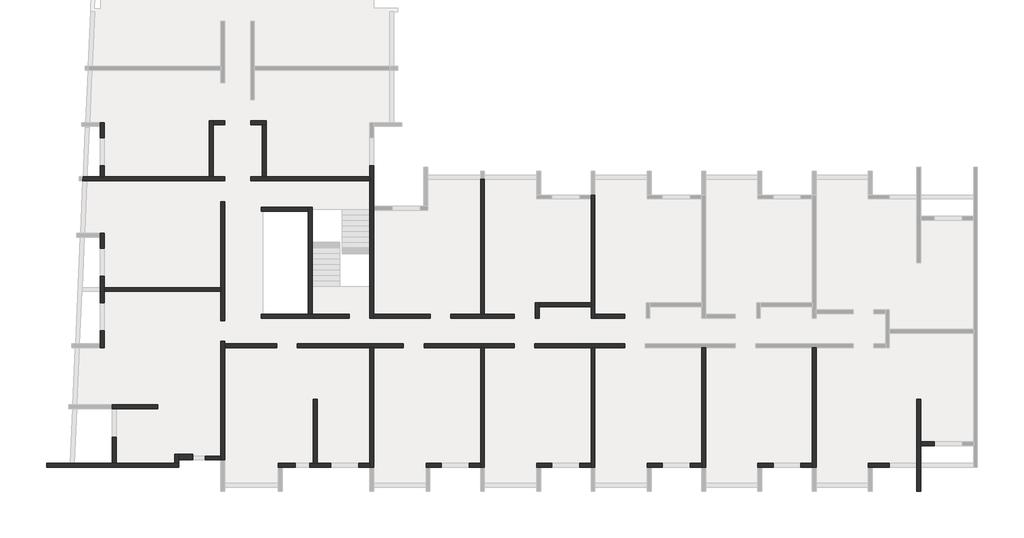
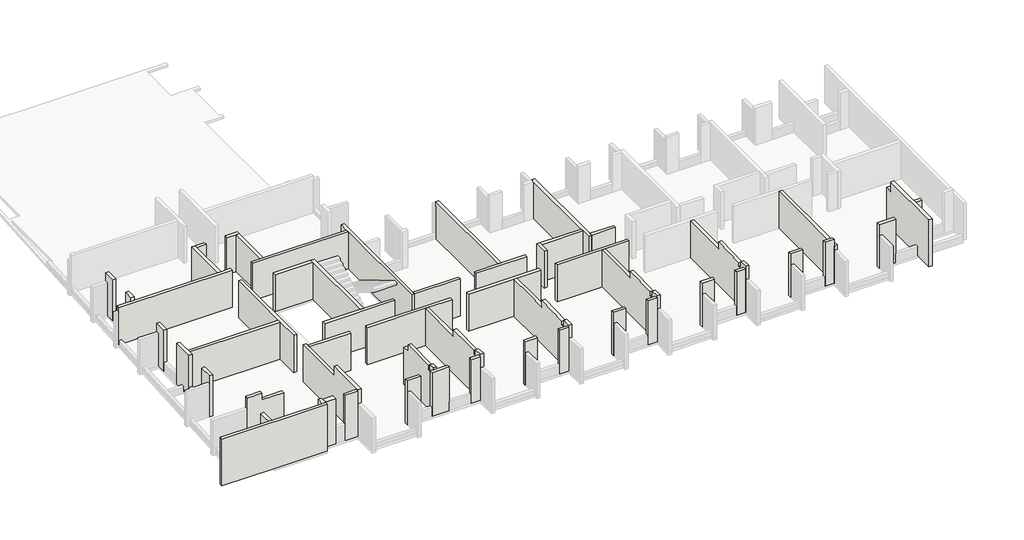
# One storey, part 1 of 4: 55 walls.
"""IFC4 building model written with IfcOpenShell, lengths in millimetres."""

from ifc_helpers import new_model, si_unit, frame, origin, place, context, project, spatial, polyline, outline, extrude, faceted_brep, element, save

model = new_model("IFC4")

# Units and contexts
model_context = context("Model", 3, world=origin())
ifc_project = project(units=[si_unit("LENGTHUNIT", "METRE", prefix="MILLI")], contexts=[model_context])

# Site, building, storey
site = spatial("IfcSite", under=ifc_project)
building = spatial("IfcBuilding", under=site)
storey = spatial("IfcBuildingStorey", under=building, Elevation=14820.0)

# Walls
placement = place(None, origin())
element("IfcWall", 1, ObjectType="MHA20", at=placement, inside=storey, context=model_context, shape_type="Brep", body=[
    faceted_brep([(-6305.6912908, -19419.0672499, 14820.0), (-6305.6912908, -13279.0672499, 14820.0), (-6305.6912908, -13279.0672499, 17350.0), (-6305.6912908, -18449.0672499, 17350.0), (-6305.6912908, -18649.0672499, 17350.0), (-6305.6912908, -18849.0672499, 17350.0), (-6305.6912908, -19049.0672499, 17350.0), (-6305.6912908, -19419.0672499, 17350.0), (-6305.6912908, -19419.0672499, 17050.0), (-6505.6912908, -19419.0672499, 14820.0), (-6505.6912908, -19419.0672499, 17050.0), (-6505.6912908, -19419.0672499, 17350.0), (-6505.6912908, -19049.0672499, 17350.0), (-6505.6912908, -18849.0672499, 17350.0), (-6505.6912908, -18649.0672499, 17350.0), (-6505.6912908, -18449.0672499, 17350.0), (-6505.6912908, -13279.0672499, 17350.0), (-6505.6912908, -13279.0672499, 14820.0), (-6505.6912908, -19219.0672499, 14820.0)], [[[0, 1, 2, 3, 4, 5, 6, 7, 8]], [[9, 10, 11, 12, 13, 14, 15, 16, 17, 18]], [[1, 0, 9, 18, 17]], [[7, 6, 5, 4, 3, 2, 16, 15, 14, 13, 12, 11]], [[2, 1, 17, 16]], [[0, 8, 7, 11, 10, 9]]]),
])
element("IfcWall", 2, ObjectType="MHA20", at=placement, inside=storey, context=model_context, shape_type="Brep", body=[
    faceted_brep([(-925.6912908, -20669.0672499, 14820.0), (-925.6912908, -18319.0672499, 14820.0), (-925.6912908, -18119.0672499, 14820.0), (-925.6912908, -15939.0672499, 14820.0), (-925.6912908, -15939.0672499, 17350.0), (-925.6912908, -16419.0672499, 17350.0), (-925.6912908, -16419.0672499, 18000.0), (-925.6912908, -20669.0672499, 18000.0), (-1125.6912908, -20669.0672499, 14820.0), (-1125.6912908, -20669.0672499, 18000.0), (-1125.6912908, -16419.0672499, 18000.0), (-1125.6912908, -16419.0672499, 17350.0), (-1125.6912908, -15939.0672499, 17350.0), (-1125.6912908, -15939.0672499, 14820.0), (-1125.6912908, -19219.0672499, 14820.0), (-1125.6912908, -19419.0672499, 14820.0)], [[[0, 1, 2, 3, 4, 5, 6, 7]], [[8, 9, 10, 11, 12, 13, 14, 15]], [[3, 2, 1, 0, 8, 15, 14, 13]], [[4, 3, 13, 12]], [[5, 4, 12, 11]], [[0, 7, 9, 8]], [[7, 6, 10, 9]], [[6, 5, 11, 10]]]),
])
element("IfcWall", 3, ObjectType="MHA20", at=placement, inside=storey, context=model_context, shape_type="SweptSolid", body=[
    extrude(outline(polyline([(-18319.0672499, 14820.0), (-18319.0672499, 17603.2031323), (-18119.0672499, 17608.2031323), (-18119.0672499, 14820.0), (-18319.0672499, 14820.0)])), frame((-925.6912908, 0.0, 0.0), z_axis=(1.0, 0.0, 0.0), x_axis=(0.0, 1.0, 0.0)), (0.0, 0.0, 1.0), 700.0),
])
element("IfcWall", 4, ObjectType="MHA20", at=placement, inside=storey, context=model_context, shape_type="Brep", body=[
    faceted_brep([(-3615.6912908, -19419.0672499, 14820.0), (-3415.6912908, -19419.0672499, 14820.0), (-2545.6912908, -19419.0672499, 14820.0), (-2545.6912908, -19419.0672499, 15420.0), (-2545.6912908, -19419.0672499, 17798.2439779), (-3615.6912908, -19419.0672499, 17798.2439779), (-3615.6912908, -19419.0672499, 17050.0), (-3615.6912908, -19219.0672499, 14820.0), (-3615.6912908, -19219.0672499, 17790.0439779), (-2545.6912908, -19219.0672499, 17790.0439779), (-2545.6912908, -19219.0672499, 15420.0), (-2545.6912908, -19219.0672499, 14820.0)], [[[0, 1, 2, 3, 4, 5, 6]], [[7, 8, 9, 10, 11]], [[2, 1, 0, 7, 11]], [[4, 3, 2, 11, 10, 9]], [[0, 6, 5, 8, 7]], [[5, 4, 9, 8]]]),
])
element("IfcWall", 5, ObjectType="MHA20", at=placement, inside=storey, context=model_context, shape_type="Brep", body=[
    faceted_brep([(-11995.6912908, -19419.0672499, 14820.0), (-11995.6912908, -13279.0672499, 14820.0), (-11995.6912908, -13279.0672499, 17350.0), (-11995.6912908, -16419.0672499, 17350.0), (-11995.6912908, -16419.0672499, 17800.75), (-11995.6912908, -18649.0672499, 17745.0), (-11995.6912908, -18649.0672499, 17594.9531323), (-11995.6912908, -18649.0672499, 17500.0), (-11995.6912908, -18849.0672499, 17500.0), (-11995.6912908, -18849.0672499, 17925.0), (-11995.6912908, -19419.0672499, 17948.37), (-11995.6912908, -19419.0672499, 17050.0), (-12195.6912908, -19419.0672499, 14820.0), (-12195.6912908, -19419.0672499, 17050.0), (-12195.6912908, -19419.0672499, 17798.2439779), (-12195.6912908, -19419.0672499, 17948.37), (-12195.6912908, -18849.0672499, 17925.0), (-12195.6912908, -18849.0672499, 17500.0), (-12195.6912908, -18649.0672499, 17500.0), (-12195.6912908, -18649.0672499, 17594.9531323), (-12195.6912908, -18649.0672499, 17745.0), (-12195.6912908, -16419.0672499, 17800.75), (-12195.6912908, -16419.0672499, 17350.0), (-12195.6912908, -13279.0672499, 17350.0), (-12195.6912908, -13279.0672499, 14820.0), (-12195.6912908, -19219.0672499, 14820.0)], [[[0, 1, 2, 3, 4, 5, 6, 7, 8, 9, 10, 11]], [[12, 13, 14, 15, 16, 17, 18, 19, 20, 21, 22, 23, 24, 25]], [[2, 1, 24, 23]], [[0, 11, 10, 15, 14, 13, 12]], [[1, 0, 12, 25, 24]], [[3, 2, 23, 22]], [[5, 4, 21, 20]], [[7, 6, 5, 20, 19, 18]], [[8, 7, 18, 17]], [[9, 8, 17, 16]], [[10, 9, 16, 15]], [[4, 3, 22, 21]]]),
])
element("IfcWall", 6, ObjectType="MHA20", at=placement, inside=storey, context=model_context, shape_type="Brep", body=[
    faceted_brep([(-9305.6912908, -19419.0672499, 14820.0), (-9105.6912908, -19419.0672499, 14820.0), (-8525.6912908, -19419.0672499, 14820.0), (-8525.6912908, -19419.0672499, 15420.0), (-8525.6912908, -19419.0672499, 17798.2439779), (-9305.6912908, -19419.0672499, 17798.2439779), (-9305.6912908, -19419.0672499, 17050.0), (-9305.6912908, -19219.0672499, 14820.0), (-9305.6912908, -19219.0672499, 17790.0439779), (-8525.6912908, -19219.0672499, 17790.0439779), (-8525.6912908, -19219.0672499, 15420.0), (-8525.6912908, -19219.0672499, 14820.0)], [[[0, 1, 2, 3, 4, 5, 6]], [[7, 8, 9, 10, 11]], [[2, 1, 0, 7, 11]], [[4, 3, 2, 11, 10, 9]], [[0, 6, 5, 8, 7]], [[5, 4, 9, 8]]]),
])
element("IfcWall", 7, ObjectType="MHA20", at=placement, inside=storey, context=model_context, shape_type="Brep", body=[
    faceted_brep([(-7085.6912908, -19419.0672499, 14820.0), (-6505.6912908, -19419.0672499, 14820.0), (-6505.6912908, -19419.0672499, 17350.0), (-6505.6912908, -19419.0672499, 17798.2439779), (-7085.6912908, -19419.0672499, 17798.2439779), (-7085.6912908, -19419.0672499, 15420.0), (-7085.6912908, -19219.0672499, 14820.0), (-7085.6912908, -19219.0672499, 15420.0), (-7085.6912908, -19219.0672499, 17790.0439779), (-6505.6912908, -19219.0672499, 17790.0439779), (-6505.6912908, -19219.0672499, 14820.0)], [[[0, 1, 2, 3, 4, 5]], [[6, 7, 8, 9, 10]], [[1, 0, 6, 10]], [[0, 5, 4, 8, 7, 6]], [[3, 2, 1, 10, 9]], [[4, 3, 9, 8]]]),
])
element("IfcWall", 8, ObjectType="MHA20", at=placement, inside=storey, context=model_context, shape_type="Brep", body=[
    faceted_brep([(-17685.6912908, -19419.0672499, 14820.0), (-17685.6912908, -13279.0672499, 14820.0), (-17685.6912908, -13279.0672499, 17350.0), (-17685.6912908, -16419.0672499, 17350.0), (-17685.6912908, -16419.0672499, 17800.75), (-17685.6912908, -18649.0672499, 17745.0), (-17685.6912908, -18649.0672499, 17594.9531323), (-17685.6912908, -18649.0672499, 17500.0), (-17685.6912908, -18849.0672499, 17500.0), (-17685.6912908, -18849.0672499, 17925.0), (-17685.6912908, -19419.0672499, 17948.37), (-17685.6912908, -19419.0672499, 17050.0), (-17885.6912908, -19419.0672499, 14820.0), (-17885.6912908, -19419.0672499, 17050.0), (-17885.6912908, -19419.0672499, 17798.2439779), (-17885.6912908, -19419.0672499, 17948.37), (-17885.6912908, -18849.0672499, 17925.0), (-17885.6912908, -18849.0672499, 17500.0), (-17885.6912908, -18649.0672499, 17500.0), (-17885.6912908, -18649.0672499, 17594.9531323), (-17885.6912908, -18649.0672499, 17745.0), (-17885.6912908, -16419.0672499, 17800.75), (-17885.6912908, -16419.0672499, 17350.0), (-17885.6912908, -13279.0672499, 17350.0), (-17885.6912908, -13279.0672499, 14820.0), (-17885.6912908, -19219.0672499, 14820.0)], [[[0, 1, 2, 3, 4, 5, 6, 7, 8, 9, 10, 11]], [[12, 13, 14, 15, 16, 17, 18, 19, 20, 21, 22, 23, 24, 25]], [[2, 1, 24, 23]], [[0, 11, 10, 15, 14, 13, 12]], [[1, 0, 12, 25, 24]], [[3, 2, 23, 22]], [[5, 4, 21, 20]], [[7, 6, 5, 20, 19, 18]], [[8, 7, 18, 17]], [[9, 8, 17, 16]], [[10, 9, 16, 15]], [[4, 3, 22, 21]]]),
])
element("IfcWall", 9, ObjectType="MHA20", at=placement, inside=storey, context=model_context, shape_type="Brep", body=[
    faceted_brep([(-14995.6912908, -19419.0672499, 14820.0), (-14795.6912908, -19419.0672499, 14820.0), (-14215.6912908, -19419.0672499, 14820.0), (-14215.6912908, -19419.0672499, 15420.0), (-14215.6912908, -19419.0672499, 17798.2439779), (-14995.6912908, -19419.0672499, 17798.2439779), (-14995.6912908, -19419.0672499, 17050.0), (-14995.6912908, -19219.0672499, 14820.0), (-14995.6912908, -19219.0672499, 17790.0439779), (-14215.6912908, -19219.0672499, 17790.0439779), (-14215.6912908, -19219.0672499, 15420.0), (-14215.6912908, -19219.0672499, 14820.0)], [[[0, 1, 2, 3, 4, 5, 6]], [[7, 8, 9, 10, 11]], [[2, 1, 0, 7, 11]], [[4, 3, 2, 11, 10, 9]], [[0, 6, 5, 8, 7]], [[5, 4, 9, 8]]]),
])
element("IfcWall", 10, ObjectType="MHA20", at=placement, inside=storey, context=model_context, shape_type="Brep", body=[
    faceted_brep([(-12775.6912908, -19419.0672499, 14820.0), (-12195.6912908, -19419.0672499, 14820.0), (-12195.6912908, -19419.0672499, 17798.2439779), (-12775.6912908, -19419.0672499, 17798.2439779), (-12775.6912908, -19419.0672499, 15420.0), (-12775.6912908, -19219.0672499, 14820.0), (-12775.6912908, -19219.0672499, 15420.0), (-12775.6912908, -19219.0672499, 17790.0439779), (-12195.6912908, -19219.0672499, 17790.0439779), (-12195.6912908, -19219.0672499, 14820.0)], [[[0, 1, 2, 3, 4]], [[5, 6, 7, 8, 9]], [[1, 0, 5, 9]], [[0, 4, 3, 7, 6, 5]], [[2, 1, 9, 8]], [[3, 2, 8, 7]]]),
])
element("IfcWall", 11, ObjectType="MHA20", at=placement, inside=storey, context=model_context, shape_type="Brep", body=[
    faceted_brep([(-23375.6912908, -19419.0672499, 14820.0), (-23375.6912908, -13279.0672499, 14820.0), (-23375.6912908, -13279.0672499, 17350.0), (-23375.6912908, -14929.0672499, 17350.0), (-23375.6912908, -16419.0672499, 17350.0), (-23375.6912908, -16419.0672499, 17800.75), (-23375.6912908, -18649.0672499, 17745.0), (-23375.6912908, -18649.0672499, 17594.9531323), (-23375.6912908, -18649.0672499, 17500.0), (-23375.6912908, -18849.0672499, 17500.0), (-23375.6912908, -18849.0672499, 17925.0), (-23375.6912908, -19419.0672499, 17947.8), (-23375.6912908, -19419.0672499, 17050.0), (-23575.6912908, -19419.0672499, 14820.0), (-23575.6912908, -19419.0672499, 17050.0), (-23575.6912908, -19419.0672499, 17798.2439779), (-23575.6912908, -19419.0672499, 17947.8), (-23575.6912908, -18849.0672499, 17925.0), (-23575.6912908, -18849.0672499, 17500.0), (-23575.6912908, -18649.0672499, 17500.0), (-23575.6912908, -18649.0672499, 17594.9531323), (-23575.6912908, -18649.0672499, 17745.0), (-23575.6912908, -16419.0672499, 17800.75), (-23575.6912908, -16419.0672499, 17350.0), (-23575.6912908, -14929.0672499, 17350.0), (-23575.6912908, -13279.0672499, 17350.0), (-23575.6912908, -13279.0672499, 14820.0), (-23575.6912908, -19219.0672499, 14820.0)], [[[0, 1, 2, 3, 4, 5, 6, 7, 8, 9, 10, 11, 12]], [[13, 14, 15, 16, 17, 18, 19, 20, 21, 22, 23, 24, 25, 26, 27]], [[2, 1, 26, 25]], [[0, 12, 11, 16, 15, 14, 13]], [[1, 0, 13, 27, 26]], [[4, 3, 2, 25, 24, 23]], [[6, 5, 22, 21]], [[8, 7, 6, 21, 20, 19]], [[9, 8, 19, 18]], [[10, 9, 18, 17]], [[11, 10, 17, 16]], [[5, 4, 23, 22]]]),
])
element("IfcWall", 12, ObjectType="MHA20", at=placement, inside=storey, context=model_context, shape_type="Brep", body=[
    faceted_brep([(-20685.6912908, -19419.0672499, 14820.0), (-20485.6912908, -19419.0672499, 14820.0), (-19905.6912908, -19419.0672499, 14820.0), (-19905.6912908, -19419.0672499, 15420.0), (-19905.6912908, -19419.0672499, 17798.2439779), (-20685.6912908, -19419.0672499, 17798.2439779), (-20685.6912908, -19419.0672499, 17050.0), (-20685.6912908, -19219.0672499, 14820.0), (-20685.6912908, -19219.0672499, 17790.0439779), (-19905.6912908, -19219.0672499, 17790.0439779), (-19905.6912908, -19219.0672499, 15420.0), (-19905.6912908, -19219.0672499, 14820.0)], [[[0, 1, 2, 3, 4, 5, 6]], [[7, 8, 9, 10, 11]], [[2, 1, 0, 7, 11]], [[4, 3, 2, 11, 10, 9]], [[0, 6, 5, 8, 7]], [[5, 4, 9, 8]]]),
])
element("IfcWall", 13, ObjectType="MHA20", at=placement, inside=storey, context=model_context, shape_type="Brep", body=[
    faceted_brep([(-18465.6912908, -19419.0672499, 14820.0), (-17885.6912908, -19419.0672499, 14820.0), (-17885.6912908, -19419.0672499, 17798.2439779), (-18465.6912908, -19419.0672499, 17798.2439779), (-18465.6912908, -19419.0672499, 15420.0), (-18465.6912908, -19219.0672499, 14820.0), (-18465.6912908, -19219.0672499, 15420.0), (-18465.6912908, -19219.0672499, 17790.0439779), (-17885.6912908, -19219.0672499, 17790.0439779), (-17885.6912908, -19219.0672499, 14820.0)], [[[0, 1, 2, 3, 4]], [[5, 6, 7, 8, 9]], [[1, 0, 5, 9]], [[0, 4, 3, 7, 6, 5]], [[2, 1, 9, 8]], [[3, 2, 8, 7]]]),
])
element("IfcWall", 14, ObjectType="MHA20", at=placement, inside=storey, context=model_context, shape_type="Brep", body=[
    faceted_brep([(-29065.6912908, -19419.0672499, 14820.0), (-29065.6912908, -13279.0672499, 14820.0), (-29065.6912908, -13279.0672499, 17350.0), (-29065.6912908, -16419.0672499, 17350.0), (-29065.6912908, -16419.0672499, 17800.75), (-29065.6912908, -18649.0672499, 17745.0), (-29065.6912908, -18649.0672499, 17594.9531323), (-29065.6912908, -18649.0672499, 17500.0), (-29065.6912908, -18849.0672499, 17500.0), (-29065.6912908, -18849.0672499, 17925.0), (-29065.6912908, -19419.0672499, 17947.8), (-29065.6912908, -19419.0672499, 17050.0), (-29265.6912908, -19419.0672499, 14820.0), (-29265.6912908, -19419.0672499, 17050.0), (-29265.6912908, -19419.0672499, 17798.2439779), (-29265.6912908, -19419.0672499, 17947.8), (-29265.6912908, -18849.0672499, 17925.0), (-29265.6912908, -18849.0672499, 17500.0), (-29265.6912908, -18649.0672499, 17500.0), (-29265.6912908, -18649.0672499, 17594.9531323), (-29265.6912908, -18649.0672499, 17745.0), (-29265.6912908, -16419.0672499, 17800.75), (-29265.6912908, -16419.0672499, 17350.0), (-29265.6912908, -16219.0672499, 17350.0), (-29265.6912908, -13279.0672499, 17350.0), (-29265.6912908, -13279.0672499, 14820.0), (-29265.6912908, -19219.0672499, 14820.0)], [[[0, 1, 2, 3, 4, 5, 6, 7, 8, 9, 10, 11]], [[12, 13, 14, 15, 16, 17, 18, 19, 20, 21, 22, 23, 24, 25, 26]], [[2, 1, 25, 24]], [[0, 11, 10, 15, 14, 13, 12]], [[1, 0, 12, 26, 25]], [[3, 2, 24, 23, 22]], [[5, 4, 21, 20]], [[7, 6, 5, 20, 19, 18]], [[8, 7, 18, 17]], [[9, 8, 17, 16]], [[10, 9, 16, 15]], [[4, 3, 22, 21]]]),
])
element("IfcWall", 15, ObjectType="MHA20", at=placement, inside=storey, context=model_context, shape_type="Brep", body=[
    faceted_brep([(-26375.6912908, -19419.0672499, 14820.0), (-26175.6912908, -19419.0672499, 14820.0), (-25595.6912908, -19419.0672499, 14820.0), (-25595.6912908, -19419.0672499, 15420.0), (-25595.6912908, -19419.0672499, 17798.2439779), (-26375.6912908, -19419.0672499, 17798.2439779), (-26375.6912908, -19419.0672499, 17050.0), (-26375.6912908, -19219.0672499, 14820.0), (-26375.6912908, -19219.0672499, 17790.0439779), (-25595.6912908, -19219.0672499, 17790.0439779), (-25595.6912908, -19219.0672499, 15420.0), (-25595.6912908, -19219.0672499, 14820.0)], [[[0, 1, 2, 3, 4, 5, 6]], [[7, 8, 9, 10, 11]], [[2, 1, 0, 7, 11]], [[4, 3, 2, 11, 10, 9]], [[0, 6, 5, 8, 7]], [[5, 4, 9, 8]]]),
])
element("IfcWall", 16, ObjectType="MHA20", at=placement, inside=storey, context=model_context, shape_type="Brep", body=[
    faceted_brep([(-24155.6912908, -19419.0672499, 14820.0), (-23575.6912908, -19419.0672499, 14820.0), (-23575.6912908, -19419.0672499, 17798.2439779), (-24155.6912908, -19419.0672499, 17798.2439779), (-24155.6912908, -19419.0672499, 15420.0), (-24155.6912908, -19219.0672499, 14820.0), (-24155.6912908, -19219.0672499, 15420.0), (-24155.6912908, -19219.0672499, 17790.0439779), (-23575.6912908, -19219.0672499, 17790.0439779), (-23575.6912908, -19219.0672499, 14820.0)], [[[0, 1, 2, 3, 4]], [[5, 6, 7, 8, 9]], [[1, 0, 5, 9]], [[0, 4, 3, 7, 6, 5]], [[2, 1, 9, 8]], [[3, 2, 8, 7]]]),
])
element("IfcWall", 17, ObjectType="MHA20", at=placement, inside=storey, context=model_context, shape_type="Brep", body=[
    faceted_brep([(-17885.6912908, -5419.0672499, 14820.0), (-17885.6912908, -5619.0672499, 14820.0), (-17885.6912908, -10959.0672499, 14820.0), (-17885.6912908, -11159.0672499, 14820.0), (-17885.6912908, -11759.0672499, 14820.0), (-17885.6912908, -11759.0672499, 17350.0), (-17885.6912908, -11159.0672499, 17350.0), (-17885.6912908, -10959.0672499, 17350.0), (-17885.6912908, -5619.0672499, 17350.0), (-17885.6912908, -5419.0672499, 17350.0), (-17885.6912908, -5419.0672499, 17050.0), (-17685.6912908, -5419.0672499, 14820.0), (-17685.6912908, -5419.0672499, 17050.0), (-17685.6912908, -5419.0672499, 17350.0), (-17685.6912908, -11559.0672499, 17350.0), (-17685.6912908, -11759.0672499, 17350.0), (-17685.6912908, -11759.0672499, 14820.0), (-17685.6912908, -11559.0672499, 14820.0)], [[[0, 1, 2, 3, 4, 5, 6, 7, 8, 9, 10]], [[11, 12, 13, 14, 15, 16, 17]], [[4, 3, 2, 1, 0, 11, 17, 16]], [[9, 8, 7, 6, 5, 15, 14, 13]], [[5, 4, 16, 15]], [[0, 10, 9, 13, 12, 11]]]),
])
element("IfcWall", 18, ObjectType="MHA20", at=placement, inside=storey, context=model_context, shape_type="Brep", body=[
    faceted_brep([(-23575.6912908, -4599.0672499, 14820.0), (-23575.6912908, -11559.0672499, 14820.0), (-23575.6912908, -11559.0672499, 17350.0), (-23575.6912908, -4599.0672499, 17350.0), (-23575.6912908, -4599.0672499, 17050.0), (-23375.6912908, -4599.0672499, 14820.0), (-23375.6912908, -4599.0672499, 17050.0), (-23375.6912908, -4599.0672499, 17350.0), (-23375.6912908, -11559.0672499, 17350.0), (-23375.6912908, -11559.0672499, 14820.0)], [[[0, 1, 2, 3, 4]], [[5, 6, 7, 8, 9]], [[1, 0, 5, 9]], [[3, 2, 8, 7]], [[0, 4, 3, 7, 6, 5]], [[2, 1, 9, 8]]]),
])
element("IfcWall", 19, ObjectType="MHA20", at=placement, inside=storey, context=model_context, shape_type="Brep", body=[
    faceted_brep([(-36735.6912908, -19049.0672499, 14820.0), (-36735.6912908, -13279.0672499, 14820.0), (-36735.6912908, -13079.0672499, 14820.0), (-36735.6912908, -12949.0672499, 14820.0), (-36735.6912908, -12949.0672499, 17350.0), (-36735.6912908, -13079.0672499, 17350.0), (-36735.6912908, -13279.0672499, 17350.0), (-36735.6912908, -16419.0672499, 17350.0), (-36735.6912908, -16419.0672499, 18000.0), (-36735.6912908, -19049.0672499, 18000.0), (-36735.6912908, -19049.0672499, 17200.0), (-36735.6912908, -19049.0672499, 17050.0), (-36935.6912908, -19049.0672499, 14820.0), (-36935.6912908, -19049.0672499, 17050.0), (-36935.6912908, -19049.0672499, 17200.0), (-36935.6912908, -19049.0672499, 17900.0), (-36935.6912908, -19049.0672499, 18000.0), (-36935.6912908, -16419.0672499, 18000.0), (-36935.6912908, -16419.0672499, 17350.0), (-36935.6912908, -12949.0672499, 17350.0), (-36935.6912908, -12949.0672499, 14820.0), (-36935.6912908, -18849.0672499, 14820.0)], [[[0, 1, 2, 3, 4, 5, 6, 7, 8, 9, 10, 11]], [[12, 13, 14, 15, 16, 17, 18, 19, 20, 21]], [[0, 11, 10, 9, 16, 15, 14, 13, 12]], [[3, 2, 1, 0, 12, 21, 20]], [[4, 3, 20, 19]], [[7, 6, 5, 4, 19, 18]], [[9, 8, 17, 16]], [[8, 7, 18, 17]]]),
])
element("IfcWall", 20, ObjectType="MHA20", at=placement, inside=storey, context=model_context, shape_type="Brep", body=[
    faceted_brep([(-31985.6912908, -19219.0672499, 14820.0), (-31985.6912908, -15939.0672499, 14820.0), (-31985.6912908, -15939.0672499, 17350.0), (-31985.6912908, -16419.0672499, 17350.0), (-31985.6912908, -16419.0672499, 17800.75), (-31985.6912908, -18649.0672499, 17745.0), (-31985.6912908, -18649.0672499, 17594.9531323), (-31985.6912908, -18649.0672499, 17500.0), (-31985.6912908, -18849.0672499, 17500.0), (-31985.6912908, -18849.0672499, 17925.0), (-31985.6912908, -19219.0672499, 17939.8), (-32185.6912908, -19219.0672499, 14820.0), (-32185.6912908, -19219.0672499, 17939.8), (-32185.6912908, -18849.0672499, 17925.0), (-32185.6912908, -18849.0672499, 17500.0), (-32185.6912908, -18649.0672499, 17500.0), (-32185.6912908, -18649.0672499, 17594.9531323), (-32185.6912908, -18649.0672499, 17745.0), (-32185.6912908, -16419.0672499, 17800.75), (-32185.6912908, -16419.0672499, 17350.0), (-32185.6912908, -15939.0672499, 17350.0), (-32185.6912908, -15939.0672499, 14820.0)], [[[0, 1, 2, 3, 4, 5, 6, 7, 8, 9, 10]], [[11, 12, 13, 14, 15, 16, 17, 18, 19, 20, 21]], [[0, 10, 12, 11]], [[1, 0, 11, 21]], [[2, 1, 21, 20]], [[3, 2, 20, 19]], [[5, 4, 18, 17]], [[7, 6, 5, 17, 16, 15]], [[8, 7, 15, 14]], [[9, 8, 14, 13]], [[10, 9, 13, 12]], [[4, 3, 19, 18]]]),
])
element("IfcWall", 21, ObjectType="MHA20", at=placement, inside=storey, context=model_context, shape_type="Brep", body=[
    faceted_brep([(-33985.6912908, -19419.0672499, 14820.0), (-33785.6912908, -19419.0672499, 14820.0), (-33105.6912908, -19419.0672499, 14820.0), (-33105.6912908, -19419.0672499, 15420.0), (-33105.6912908, -19419.0672499, 17798.2439779), (-33985.6912908, -19419.0672499, 17798.2439779), (-33985.6912908, -19419.0672499, 17050.0), (-33985.6912908, -19219.0672499, 14820.0), (-33985.6912908, -19219.0672499, 17790.0439779), (-33105.6912908, -19219.0672499, 17790.0439779), (-33105.6912908, -19219.0672499, 15420.0), (-33105.6912908, -19219.0672499, 14820.0)], [[[0, 1, 2, 3, 4, 5, 6]], [[7, 8, 9, 10, 11]], [[2, 1, 0, 7, 11]], [[4, 3, 2, 11, 10, 9]], [[0, 6, 5, 8, 7]], [[5, 4, 9, 8]]]),
])
element("IfcWall", 22, ObjectType="MHA20", at=placement, inside=storey, context=model_context, shape_type="Brep", body=[
    faceted_brep([(-32365.6912908, -19419.0672499, 14820.0), (-31285.6912908, -19419.0672499, 14820.0), (-31285.6912908, -19419.0672499, 15420.0), (-31285.6912908, -19419.0672499, 17798.2439779), (-32365.6912908, -19419.0672499, 17798.2439779), (-32365.6912908, -19419.0672499, 15420.0), (-32365.6912908, -19219.0672499, 14820.0), (-32365.6912908, -19219.0672499, 15420.0), (-32365.6912908, -19219.0672499, 17790.0439779), (-31285.6912908, -19219.0672499, 17790.0439779), (-31285.6912908, -19219.0672499, 15420.0), (-31285.6912908, -19219.0672499, 14820.0), (-31985.6912908, -19219.0672499, 14820.0), (-32185.6912908, -19219.0672499, 14820.0)], [[[0, 1, 2, 3, 4, 5]], [[6, 7, 8, 9, 10, 11, 12, 13]], [[1, 0, 6, 13, 12, 11]], [[3, 2, 1, 11, 10, 9]], [[0, 5, 4, 8, 7, 6]], [[4, 3, 9, 8]]]),
])
element("IfcWall", 23, ObjectType="MHA20", at=placement, inside=storey, context=model_context, shape_type="Brep", body=[
    faceted_brep([(-29845.6912908, -19419.0672499, 14820.0), (-29265.6912908, -19419.0672499, 14820.0), (-29265.6912908, -19419.0672499, 17798.2439779), (-29845.6912908, -19419.0672499, 17798.2439779), (-29845.6912908, -19419.0672499, 15420.0), (-29845.6912908, -19219.0672499, 14820.0), (-29845.6912908, -19219.0672499, 15420.0), (-29845.6912908, -19219.0672499, 17790.0439779), (-29265.6912908, -19219.0672499, 17790.0439779), (-29265.6912908, -19219.0672499, 14820.0)], [[[0, 1, 2, 3, 4]], [[5, 6, 7, 8, 9]], [[1, 0, 5, 9]], [[0, 4, 3, 7, 6, 5]], [[2, 1, 9, 8]], [[3, 2, 8, 7]]]),
])
element("IfcWall", 24, ObjectType="MHA20", at=placement, inside=storey, context=model_context, shape_type="Brep", body=[
    faceted_brep([(-45905.6912908, -19419.0672499, 14820.0), (-39115.6912908, -19419.0672499, 14820.0), (-39115.6912908, -19419.0672499, 18000.0), (-45905.6912908, -19419.0672499, 18000.0), (-45905.6912908, -19219.0672499, 14820.0), (-45905.6912908, -19219.0672499, 18000.0), (-39315.6912908, -19219.0672499, 18000.0), (-39115.6912908, -19219.0672499, 18000.0), (-39115.6912908, -19219.0672499, 14820.0), (-39315.6912908, -19219.0672499, 14820.0), (-42325.6912908, -19219.0672499, 14820.0), (-42525.6912908, -19219.0672499, 14820.0)], [[[0, 1, 2, 3]], [[4, 5, 6, 7, 8, 9, 10, 11]], [[1, 0, 4, 11, 10, 9, 8]], [[3, 2, 7, 6, 5]], [[0, 3, 5, 4]], [[2, 1, 8, 7]]]),
])
element("IfcWall", 25, ObjectType="MHA20", at=placement, inside=storey, context=model_context, shape_type="Brep", body=[
    faceted_brep([(-39115.6912908, -19219.0672499, 14820.0), (-39115.6912908, -19049.0672499, 14820.0), (-39115.6912908, -18749.0672499, 14820.0), (-39115.6912908, -18749.0672499, 17200.0), (-39115.6912908, -18749.0672499, 17900.0), (-39115.6912908, -18749.0672499, 18000.0), (-39115.6912908, -19219.0672499, 18000.0), (-39315.6912908, -19219.0672499, 14820.0), (-39315.6912908, -19219.0672499, 18000.0), (-39315.6912908, -18749.0672499, 18000.0), (-39315.6912908, -18749.0672499, 17200.0), (-39315.6912908, -18749.0672499, 14820.0)], [[[0, 1, 2, 3, 4, 5, 6]], [[7, 8, 9, 10, 11]], [[2, 1, 0, 7, 11]], [[6, 5, 9, 8]], [[0, 6, 8, 7]], [[5, 4, 3, 2, 11, 10, 9]]]),
])
element("IfcWall", 26, ObjectType="MHA20", at=placement, inside=storey, context=model_context, shape_type="Brep", body=[
    faceted_brep([(-37735.6912908, -19049.0672499, 14820.0), (-36935.6912908, -19049.0672499, 14820.0), (-36935.6912908, -19049.0672499, 17900.0), (-37735.6912908, -19049.0672499, 17900.0), (-37735.6912908, -19049.0672499, 17200.0), (-37735.6912908, -18849.0672499, 14820.0), (-37735.6912908, -18849.0672499, 17200.0), (-37735.6912908, -18849.0672499, 17900.0), (-36935.6912908, -18849.0672499, 17900.0), (-36935.6912908, -18849.0672499, 14820.0)], [[[0, 1, 2, 3, 4]], [[5, 6, 7, 8, 9]], [[1, 0, 5, 9]], [[3, 2, 8, 7]], [[0, 4, 3, 7, 6, 5]], [[2, 1, 9, 8]]]),
])
element("IfcWall", 27, ObjectType="MHA20", at=placement, inside=storey, context=model_context, shape_type="Brep", body=[
    faceted_brep([(-16160.6912908, -13079.0672499, 14820.0), (-20790.6912908, -13079.0672499, 14820.0), (-20790.6912908, -13079.0672499, 17350.0), (-16160.6912908, -13079.0672499, 17350.0), (-16160.6912908, -13279.0672499, 14820.0), (-16160.6912908, -13279.0672499, 17350.0), (-17685.6912908, -13279.0672499, 17350.0), (-17885.6912908, -13279.0672499, 17350.0), (-20790.6912908, -13279.0672499, 17350.0), (-20790.6912908, -13279.0672499, 14820.0), (-17885.6912908, -13279.0672499, 14820.0), (-17685.6912908, -13279.0672499, 14820.0)], [[[0, 1, 2, 3]], [[4, 5, 6, 7, 8, 9, 10, 11]], [[1, 0, 4, 11, 10, 9]], [[2, 1, 9, 8]], [[3, 2, 8, 7, 6, 5]], [[0, 3, 5, 4]]]),
])
element("IfcWall", 28, ObjectType="MHA20", at=placement, inside=storey, context=model_context, shape_type="Brep", body=[
    faceted_brep([(-21850.6912908, -13079.0672499, 14820.0), (-26480.6912908, -13079.0672499, 14820.0), (-26480.6912908, -13079.0672499, 17350.0), (-21850.6912908, -13079.0672499, 17350.0), (-21850.6912908, -13279.0672499, 14820.0), (-21850.6912908, -13279.0672499, 17350.0), (-23375.6912908, -13279.0672499, 17350.0), (-23575.6912908, -13279.0672499, 17350.0), (-26480.6912908, -13279.0672499, 17350.0), (-26480.6912908, -13279.0672499, 14820.0), (-23575.6912908, -13279.0672499, 14820.0), (-23375.6912908, -13279.0672499, 14820.0)], [[[0, 1, 2, 3]], [[4, 5, 6, 7, 8, 9, 10, 11]], [[1, 0, 4, 11, 10, 9]], [[2, 1, 9, 8]], [[3, 2, 8, 7, 6, 5]], [[0, 3, 5, 4]]]),
])
element("IfcWall", 29, ObjectType="MHA20", at=placement, inside=storey, context=model_context, shape_type="Brep", body=[
    faceted_brep([(-27540.6912908, -13079.0672499, 14820.0), (-32995.6912908, -13079.0672499, 14820.0), (-32995.6912908, -13079.0672499, 17350.0), (-27540.6912908, -13079.0672499, 17350.0), (-27540.6912908, -13279.0672499, 14820.0), (-27540.6912908, -13279.0672499, 17350.0), (-29065.6912908, -13279.0672499, 17350.0), (-29265.6912908, -13279.0672499, 17350.0), (-32995.6912908, -13279.0672499, 17350.0), (-32995.6912908, -13279.0672499, 14820.0), (-29265.6912908, -13279.0672499, 14820.0), (-29065.6912908, -13279.0672499, 14820.0)], [[[0, 1, 2, 3]], [[4, 5, 6, 7, 8, 9, 10, 11]], [[1, 0, 4, 11, 10, 9]], [[2, 1, 9, 8]], [[3, 2, 8, 7, 6, 5]], [[0, 3, 5, 4]]]),
])
element("IfcWall", 30, ObjectType="MHA20", at=placement, inside=storey, context=model_context, shape_type="SweptSolid", body=[
    extrude(outline(polyline([(-34055.6912908, -13279.0672499), (-36735.6912908, -13279.0672499), (-36735.6912908, -13079.0672499), (-34055.6912908, -13079.0672499), (-34055.6912908, -13279.0672499)])), frame((0.0, 0.0, 14820.0), z_axis=(0.0, 0.0, 1.0), x_axis=(1.0, 0.0, 0.0)), (0.0, 0.0, 1.0), 2530.0),
])
element("IfcWall", 31, ObjectType="MHA20", at=placement, inside=storey, context=model_context, shape_type="Brep", body=[
    faceted_brep([(-20550.6912908, -11759.0672499, 14820.0), (-20550.6912908, -11159.0672499, 14820.0), (-20550.6912908, -10959.0672499, 14820.0), (-20550.6912908, -10959.0672499, 17350.0), (-20550.6912908, -11159.0672499, 17350.0), (-20550.6912908, -11759.0672499, 17350.0), (-20750.6912908, -11759.0672499, 14820.0), (-20750.6912908, -11759.0672499, 17350.0), (-20750.6912908, -10959.0672499, 17350.0), (-20750.6912908, -10959.0672499, 14820.0)], [[[0, 1, 2, 3, 4, 5]], [[6, 7, 8, 9]], [[2, 1, 0, 6, 9]], [[5, 4, 3, 8, 7]], [[0, 5, 7, 6]], [[3, 2, 9, 8]]]),
])
element("IfcWall", 32, ObjectType="MHA20", at=placement, inside=storey, context=model_context, shape_type="SweptSolid", body=[
    extrude(outline(polyline([(-17885.6912908, -11159.0672499), (-20550.6912908, -11159.0672499), (-20550.6912908, -10959.0672499), (-17885.6912908, -10959.0672499), (-17885.6912908, -11159.0672499)])), frame((0.0, 0.0, 14820.0), z_axis=(0.0, 0.0, 1.0), x_axis=(1.0, 0.0, 0.0)), (0.0, 0.0, 1.0), 2530.0),
])
element("IfcWall", 33, ObjectType="MHA20", at=placement, inside=storey, context=model_context, shape_type="SweptSolid", body=[
    extrude(outline(polyline([(-17685.6912908, -11559.0672499), (-16160.6912908, -11559.0672499), (-16160.6912908, -11759.0672499), (-17685.6912908, -11759.0672499), (-17685.6912908, -11559.0672499)])), frame((0.0, 0.0, 14820.0), z_axis=(0.0, 0.0, 1.0), x_axis=(1.0, 0.0, 0.0)), (0.0, 0.0, 1.0), 2530.0),
])
element("IfcWall", 34, ObjectType="MHA20", at=placement, inside=storey, context=model_context, shape_type="Brep", body=[
    faceted_brep([(-21850.6912908, -11559.0672499, 14820.0), (-23375.6912908, -11559.0672499, 14820.0), (-23575.6912908, -11559.0672499, 14820.0), (-25095.6912908, -11559.0672499, 14820.0), (-25095.6912908, -11559.0672499, 17350.0), (-23575.6912908, -11559.0672499, 17350.0), (-23375.6912908, -11559.0672499, 17350.0), (-21850.6912908, -11559.0672499, 17350.0), (-21850.6912908, -11759.0672499, 14820.0), (-21850.6912908, -11759.0672499, 17350.0), (-25095.6912908, -11759.0672499, 17350.0), (-25095.6912908, -11759.0672499, 14820.0)], [[[0, 1, 2, 3, 4, 5, 6, 7]], [[8, 9, 10, 11]], [[3, 2, 1, 0, 8, 11]], [[4, 3, 11, 10]], [[7, 6, 5, 4, 10, 9]], [[0, 7, 9, 8]]]),
])
element("IfcWall", 35, ObjectType="MHA20", at=placement, inside=storey, context=model_context, shape_type="Brep", body=[
    faceted_brep([(-29065.6912908, -11759.0672499, 14820.0), (-29065.6912908, -11559.0672499, 14820.0), (-29065.6912908, -6204.0672499, 14820.0), (-29065.6912908, -6004.0672499, 14820.0), (-29065.6912908, -3909.0672499, 14820.0), (-29065.6912908, -3909.0672499, 15420.0), (-29065.6912908, -3909.0672499, 17350.0), (-29065.6912908, -6004.0672499, 17350.0), (-29065.6912908, -6204.0672499, 17350.0), (-29065.6912908, -11559.0672499, 17350.0), (-29065.6912908, -11759.0672499, 17350.0), (-29265.6912908, -11759.0672499, 14820.0), (-29265.6912908, -11759.0672499, 17350.0), (-29265.6912908, -4689.0672499, 17350.0), (-29265.6912908, -4489.0672499, 17350.0), (-29265.6912908, -3909.0672499, 17350.0), (-29265.6912908, -3909.0672499, 15420.0), (-29265.6912908, -3909.0672499, 14820.0), (-29265.6912908, -4489.0672499, 14820.0), (-29265.6912908, -4689.0672499, 14820.0)], [[[0, 1, 2, 3, 4, 5, 6, 7, 8, 9, 10]], [[11, 12, 13, 14, 15, 16, 17, 18, 19]], [[4, 3, 2, 1, 0, 11, 19, 18, 17]], [[6, 5, 4, 17, 16, 15]], [[10, 9, 8, 7, 6, 15, 14, 13, 12]], [[0, 10, 12, 11]]]),
])
element("IfcWall", 36, ObjectType="MHA20", at=placement, inside=storey, context=model_context, shape_type="Brep", body=[
    faceted_brep([(-35405.6912908, -4689.0672499, 14820.0), (-29265.6912908, -4689.0672499, 14820.0), (-29265.6912908, -4689.0672499, 17350.0), (-35405.6912908, -4689.0672499, 17350.0), (-35405.6912908, -4489.0672499, 14820.0), (-35405.6912908, -4489.0672499, 17350.0), (-34805.6912908, -4489.0672499, 17350.0), (-34605.6912908, -4489.0672499, 17350.0), (-29265.6912908, -4489.0672499, 17350.0), (-29265.6912908, -4489.0672499, 14820.0), (-34605.6912908, -4489.0672499, 14820.0), (-34805.6912908, -4489.0672499, 14820.0)], [[[0, 1, 2, 3]], [[4, 5, 6, 7, 8, 9, 10, 11]], [[1, 0, 4, 11, 10, 9]], [[3, 2, 8, 7, 6, 5]], [[0, 3, 5, 4]], [[2, 1, 9, 8]]]),
])
element("IfcWall", 37, ObjectType="MHA20", at=placement, inside=storey, context=model_context, shape_type="SweptSolid", body=[
    extrude(outline(polyline([(-26155.6912908, -11759.0672499), (-29065.6912908, -11759.0672499), (-29065.6912908, -11559.0672499), (-26155.6912908, -11559.0672499), (-26155.6912908, -11759.0672499)])), frame((0.0, 0.0, 14820.0), z_axis=(0.0, 0.0, 1.0), x_axis=(1.0, 0.0, 0.0)), (0.0, 0.0, 1.0), 2530.0),
])
element("IfcWall", 38, ObjectType="MHA20", at=placement, inside=storey, context=model_context, shape_type="Brep", body=[
    faceted_brep([(-32245.6912908, -11559.0672499, 14820.0), (-32245.6912908, -6044.0672499, 14820.0), (-32245.6912908, -6044.0672499, 17350.0), (-32245.6912908, -11559.0672499, 17350.0), (-32445.6912908, -11559.0672499, 14820.0), (-32445.6912908, -11559.0672499, 17350.0), (-32445.6912908, -6244.0672499, 17350.0), (-32445.6912908, -6044.0672499, 17350.0), (-32445.6912908, -6044.0672499, 14820.0), (-32445.6912908, -6244.0672499, 14820.0)], [[[0, 1, 2, 3]], [[4, 5, 6, 7, 8, 9]], [[1, 0, 4, 9, 8]], [[3, 2, 7, 6, 5]], [[0, 3, 5, 4]], [[2, 1, 8, 7]]]),
])
element("IfcWall", 39, ObjectType="MHA20", at=placement, inside=storey, context=model_context, shape_type="Brep", body=[
    faceted_brep([(-34865.6912908, -11759.0672499, 14820.0), (-30340.6912908, -11759.0672499, 14820.0), (-30340.6912908, -11759.0672499, 17350.0), (-34865.6912908, -11759.0672499, 17350.0), (-34865.6912908, -11559.0672499, 14820.0), (-34865.6912908, -11559.0672499, 17350.0), (-32445.6912908, -11559.0672499, 17350.0), (-32245.6912908, -11559.0672499, 17350.0), (-30340.6912908, -11559.0672499, 17350.0), (-30340.6912908, -11559.0672499, 14820.0), (-32245.6912908, -11559.0672499, 14820.0), (-32445.6912908, -11559.0672499, 14820.0)], [[[0, 1, 2, 3]], [[4, 5, 6, 7, 8, 9, 10, 11]], [[1, 0, 4, 11, 10, 9]], [[2, 1, 9, 8]], [[3, 2, 8, 7, 6, 5]], [[0, 3, 5, 4]]]),
])
element("IfcWall", 40, ObjectType="MHA20", at=placement, inside=storey, context=model_context, shape_type="SweptSolid", body=[
    extrude(outline(polyline([(-32445.6912908, -6244.0672499), (-34865.6912908, -6244.0672499), (-34865.6912908, -6044.0672499), (-32445.6912908, -6044.0672499), (-32445.6912908, -6244.0672499)])), frame((0.0, 0.0, 14820.0), z_axis=(0.0, 0.0, 1.0), x_axis=(1.0, 0.0, 0.0)), (0.0, 0.0, 1.0), 2530.0),
])
element("IfcWall", 41, ObjectType="MHA20", at=placement, inside=storey, context=model_context, shape_type="SweptSolid", body=[
    extrude(outline(polyline([(-36935.6912908, -10379.0672499), (-42935.6912908, -10379.0672499), (-42935.6912908, -10179.0672499), (-36935.6912908, -10179.0672499), (-36935.6912908, -10379.0672499)])), frame((0.0, 0.0, 14820.0), z_axis=(0.0, 0.0, 1.0), x_axis=(1.0, 0.0, 0.0)), (0.0, 0.0, 1.0), 2530.0),
])
element("IfcWall", 42, ObjectType="MHA20", at=placement, inside=storey, context=model_context, shape_type="Brep", body=[
    faceted_brep([(-36735.6912908, -11889.0672499, 14820.0), (-36735.6912908, -5774.0672499, 14820.0), (-36735.6912908, -5774.0672499, 17350.0), (-36735.6912908, -11889.0672499, 17350.0), (-36935.6912908, -11889.0672499, 14820.0), (-36935.6912908, -11889.0672499, 17350.0), (-36935.6912908, -10379.0672499, 17350.0), (-36935.6912908, -10179.0672499, 17350.0), (-36935.6912908, -5774.0672499, 17350.0), (-36935.6912908, -5774.0672499, 14820.0), (-36935.6912908, -10179.0672499, 14820.0), (-36935.6912908, -10379.0672499, 14820.0)], [[[0, 1, 2, 3]], [[4, 5, 6, 7, 8, 9, 10, 11]], [[1, 0, 4, 11, 10, 9]], [[2, 1, 9, 8]], [[3, 2, 8, 7, 6, 5]], [[0, 3, 5, 4]]]),
])
element("IfcWall", 43, ObjectType="MHA20", at=placement, inside=storey, context=model_context, shape_type="Brep", body=[
    faceted_brep([(-36735.6912908, -4689.0672499, 14820.0), (-36735.6912908, -4689.0672499, 17350.0), (-43829.7459647, -4689.0672499, 17350.0), (-44029.9516564, -4689.0672499, 17350.0), (-44029.9516564, -4689.0672499, 17300.0), (-44029.9516564, -4689.0672499, 14820.0), (-36735.6912908, -4489.0672499, 17350.0), (-36735.6912908, -4489.0672499, 14820.0), (-37335.6912908, -4489.0672499, 14820.0), (-37535.6912908, -4489.0672499, 14820.0), (-42935.6912908, -4489.0672499, 14820.0), (-43135.6912908, -4489.0672499, 14820.0), (-44020.878674, -4489.0672499, 14820.0), (-44020.878674, -4489.0672499, 17300.0), (-44020.878674, -4489.0672499, 17350.0), (-43820.6729822, -4489.0672499, 17350.0), (-37535.6912908, -4489.0672499, 17350.0), (-37335.6912908, -4489.0672499, 17350.0)], [[[0, 1, 2, 3, 4, 5]], [[6, 7, 8, 9, 10, 11, 12, 13, 14, 15, 16, 17]], [[7, 0, 5, 12, 11, 10, 9, 8]], [[1, 0, 7, 6]], [[1, 6, 17, 16, 15, 14, 3, 2]], [[5, 4, 3, 14, 13, 12]]]),
])
element("IfcWall", 44, ObjectType="MHA20", at=placement, inside=storey, context=model_context, shape_type="Brep", body=[
    faceted_brep([(-35405.6912908, -1794.0672499, 14820.0), (-34805.6912908, -1794.0672499, 14820.0), (-34605.6912908, -1794.0672499, 14820.0), (-34605.6912908, -1794.0672499, 17350.0), (-34805.6912908, -1794.0672499, 17350.0), (-35405.6912908, -1794.0672499, 17350.0), (-35405.6912908, -1594.0672499, 14820.0), (-35405.6912908, -1594.0672499, 17350.0), (-34605.6912908, -1594.0672499, 17350.0), (-34605.6912908, -1594.0672499, 14820.0)], [[[0, 1, 2, 3, 4, 5]], [[6, 7, 8, 9]], [[2, 1, 0, 6, 9]], [[5, 4, 3, 8, 7]], [[0, 5, 7, 6]], [[3, 2, 9, 8]]]),
])
element("IfcWall", 45, ObjectType="MHA20", at=placement, inside=storey, context=model_context, shape_type="SweptSolid", body=[
    extrude(outline(polyline([(-34605.6912908, -1794.0672499), (-34605.6912908, -4489.0672499), (-34805.6912908, -4489.0672499), (-34805.6912908, -1794.0672499), (-34605.6912908, -1794.0672499)])), frame((0.0, 0.0, 14820.0), z_axis=(0.0, 0.0, 1.0), x_axis=(1.0, 0.0, 0.0)), (0.0, 0.0, 1.0), 2530.0),
])
element("IfcWall", 46, ObjectType="MHA20", at=placement, inside=storey, context=model_context, shape_type="Brep", body=[
    faceted_brep([(-37335.6912908, -4489.0672499, 14820.0), (-37335.6912908, -1794.0672499, 14820.0), (-37335.6912908, -1594.0672499, 14820.0), (-37335.6912908, -1594.0672499, 17350.0), (-37335.6912908, -1794.0672499, 17350.0), (-37335.6912908, -4489.0672499, 17350.0), (-37535.6912908, -4489.0672499, 14820.0), (-37535.6912908, -4489.0672499, 17350.0), (-37535.6912908, -1594.0672499, 17350.0), (-37535.6912908, -1594.0672499, 14820.0)], [[[0, 1, 2, 3, 4, 5]], [[6, 7, 8, 9]], [[2, 1, 0, 6, 9]], [[5, 4, 3, 8, 7]], [[0, 5, 7, 6]], [[3, 2, 9, 8]]]),
])
element("IfcWall", 47, ObjectType="MHA20", at=placement, inside=storey, context=model_context, shape_type="SweptSolid", body=[
    extrude(outline(polyline([(-37335.6912908, -1594.0672499), (-36735.6912908, -1594.0672499), (-36735.6912908, -1794.0672499), (-37335.6912908, -1794.0672499), (-37335.6912908, -1594.0672499)])), frame((0.0, 0.0, 14820.0), z_axis=(0.0, 0.0, 1.0), x_axis=(1.0, 0.0, 0.0)), (0.0, 0.0, 1.0), 2530.0),
])
element("IfcWall", 48, ObjectType="MHA20", at=placement, inside=storey, context=model_context, shape_type="Brep", body=[
    faceted_brep([(-42935.6912908, -13279.0672499, 14820.0), (-42935.6912908, -12399.0672499, 14820.0), (-42935.6912908, -12399.0672499, 15420.0), (-42935.6912908, -12399.0672499, 17620.8208079), (-42935.6912908, -13279.0672499, 17621.6184101), (-43135.6912908, -13279.0672499, 14820.0), (-43135.6912908, -13279.0672499, 17617.6225197), (-43135.6912908, -12399.0672499, 17616.8249175), (-43135.6912908, -12399.0672499, 15420.0), (-43135.6912908, -12399.0672499, 14820.0)], [[[0, 1, 2, 3, 4]], [[5, 6, 7, 8, 9]], [[1, 0, 5, 9]], [[3, 2, 1, 9, 8, 7]], [[0, 4, 6, 5]], [[4, 3, 7, 6]]]),
])
element("IfcWall", 49, ObjectType="MHA20", at=placement, inside=storey, context=model_context, shape_type="Brep", body=[
    faceted_brep([(-42325.6912908, -19219.0672499, 14820.0), (-42325.6912908, -17889.0672499, 14820.0), (-42325.6912908, -17889.0672499, 15420.0), (-42325.6912908, -17889.0672499, 17637.9842234), (-42325.6912908, -19219.0672499, 17639.1896903), (-42525.6912908, -19219.0672499, 14820.0), (-42525.6912908, -19219.0672499, 17635.1937999), (-42525.6912908, -17889.0672499, 17633.988333), (-42525.6912908, -17889.0672499, 15420.0), (-42525.6912908, -17889.0672499, 14820.0)], [[[0, 1, 2, 3, 4]], [[5, 6, 7, 8, 9]], [[1, 0, 5, 9]], [[3, 2, 1, 9, 8, 7]], [[0, 4, 6, 5]], [[4, 3, 7, 6]]]),
])
element("IfcWall", 50, ObjectType="MHA20", at=placement, inside=storey, context=model_context, shape_type="Brep", body=[
    faceted_brep([(-42935.6912908, -10959.0672499, 14820.0), (-42935.6912908, -10379.0672499, 14820.0), (-42935.6912908, -10179.0672499, 14820.0), (-42935.6912908, -9599.0672499, 14820.0), (-42935.6912908, -9599.0672499, 15420.0), (-42935.6912908, -9599.0672499, 17618.2829829), (-42935.6912908, -10959.0672499, 17619.5156408), (-42935.6912908, -10959.0672499, 15420.0), (-43135.6912908, -10959.0672499, 14820.0), (-43135.6912908, -10959.0672499, 15420.0), (-43135.6912908, -10959.0672499, 17615.5197504), (-43135.6912908, -9599.0672499, 17614.2870925), (-43135.6912908, -9599.0672499, 15420.0), (-43135.6912908, -9599.0672499, 14820.0)], [[[0, 1, 2, 3, 4, 5, 6, 7]], [[8, 9, 10, 11, 12, 13]], [[3, 2, 1, 0, 8, 13]], [[5, 4, 3, 13, 12, 11]], [[0, 7, 6, 10, 9, 8]], [[6, 5, 11, 10]]]),
])
element("IfcWall", 51, ObjectType="MHA20", at=placement, inside=storey, context=model_context, shape_type="Brep", body=[
    faceted_brep([(-42935.6912908, -2469.0672499, 14820.0), (-42935.6912908, -1689.5482142, 14820.0), (-42935.6912908, -1689.5482142, 17611.1140631), (-42935.6912908, -2469.0672499, 17611.8205927), (-42935.6912908, -2469.0672499, 15420.0), (-43135.6912908, -2469.0672499, 14820.0), (-43135.6912908, -2469.0672499, 15420.0), (-43135.6912908, -2469.0672499, 17607.8247023), (-43135.6912908, -1689.5482142, 17607.1181727), (-43135.6912908, -1689.5482142, 14820.0)], [[[0, 1, 2, 3, 4]], [[5, 6, 7, 8, 9]], [[1, 0, 5, 9]], [[2, 1, 9, 8]], [[0, 4, 3, 7, 6, 5]], [[3, 2, 8, 7]]]),
])
element("IfcWall", 52, ObjectType="MHA20", at=placement, inside=storey, context=model_context, shape_type="Brep", body=[
    faceted_brep([(-43135.6912908, -3909.0672499, 14820.0), (-43135.6912908, -4489.0672499, 14820.0), (-43135.6912908, -4489.0672499, 17609.6555618), (-43135.6912908, -3909.0672499, 17609.1298695), (-43135.6912908, -3909.0672499, 15420.0), (-42935.6912908, -3909.0672499, 14820.0), (-42935.6912908, -3909.0672499, 15420.0), (-42935.6912908, -3909.0672499, 17613.1257599), (-42935.6912908, -4489.0672499, 17613.6514522), (-42935.6912908, -4489.0672499, 14820.0)], [[[0, 1, 2, 3, 4]], [[5, 6, 7, 8, 9]], [[1, 0, 5, 9]], [[0, 4, 3, 7, 6, 5]], [[2, 1, 9, 8]], [[3, 2, 8, 7]]]),
])
element("IfcWall", 53, ObjectType="MHA20", at=placement, inside=storey, context=model_context, shape_type="Brep", body=[
    faceted_brep([(-42935.6912908, -8159.0672499, 14820.0), (-42935.6912908, -7379.0672499, 14820.0), (-42935.6912908, -7379.0672499, 17616.2708502), (-42935.6912908, -8159.0672499, 17616.9778157), (-42935.6912908, -8159.0672499, 15420.0), (-43135.6912908, -8159.0672499, 14820.0), (-43135.6912908, -8159.0672499, 15420.0), (-43135.6912908, -8159.0672499, 17612.9819253), (-43135.6912908, -7379.0672499, 17612.2749598), (-43135.6912908, -7379.0672499, 14820.0)], [[[0, 1, 2, 3, 4]], [[5, 6, 7, 8, 9]], [[1, 0, 5, 9]], [[2, 1, 9, 8]], [[0, 4, 3, 7, 6, 5]], [[3, 2, 8, 7]]]),
])
element("IfcWall", 54, ObjectType="MHA20", at=placement, inside=storey, context=model_context, shape_type="Brep", body=[
    faceted_brep([(-42525.6912908, -16419.0672499, 14820.0), (-42325.6912908, -16419.0672499, 14820.0), (-40185.6912908, -16419.0672499, 14820.0), (-40185.6912908, -16419.0672499, 17350.0), (-41609.0481243, -16419.0672499, 17350.0), (-41609.0481243, -16419.0672499, 17800.8280133), (-42525.6912908, -16419.0672499, 17782.5953353), (-42525.6912908, -16419.0672499, 15420.0), (-42525.6912908, -16219.0672499, 14820.0), (-42525.6912908, -16219.0672499, 17782.5953353), (-41599.9751419, -16219.0672499, 17801.0084813), (-41599.9751419, -16219.0672499, 17350.0), (-40185.6912908, -16219.0672499, 17350.0), (-40185.6912908, -16219.0672499, 14820.0)], [[[0, 1, 2, 3, 4, 5, 6, 7]], [[8, 9, 10, 11, 12, 13]], [[2, 1, 0, 8, 13]], [[3, 2, 13, 12]], [[4, 3, 12, 11]], [[0, 7, 6, 9, 8]], [[6, 5, 10, 9]], [[5, 4, 11, 10]]]),
])
element("IfcWall", 55, ObjectType="MHA30", at=placement, inside=storey, context=model_context, shape_type="Brep", body=[
    faceted_brep([(-39115.6912908, -19049.0672499, 14820.0), (-38375.6912908, -19049.0672499, 14820.0), (-38375.6912908, -19049.0672499, 17200.0), (-38375.6912908, -19049.0672499, 17900.0), (-39115.6912908, -19049.0672499, 17900.0), (-39115.6912908, -18749.0672499, 14820.0), (-39115.6912908, -18749.0672499, 17900.0), (-38375.6912908, -18749.0672499, 17900.0), (-38375.6912908, -18749.0672499, 14820.0), (-38375.6912908, -18849.0672499, 17900.0)], [[[0, 1, 2, 3, 4]], [[5, 6, 7, 8]], [[1, 0, 5, 8]], [[3, 2, 1, 8, 7, 9]], [[4, 3, 9, 7, 6]], [[0, 4, 6, 5]]]),
])

save(model, "model.ifc")
